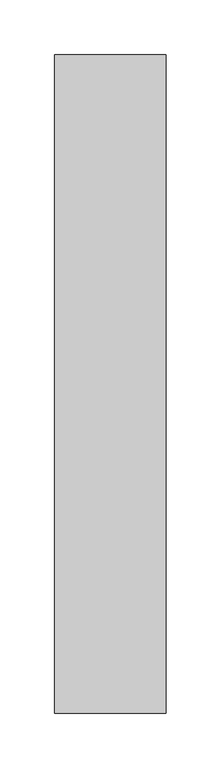
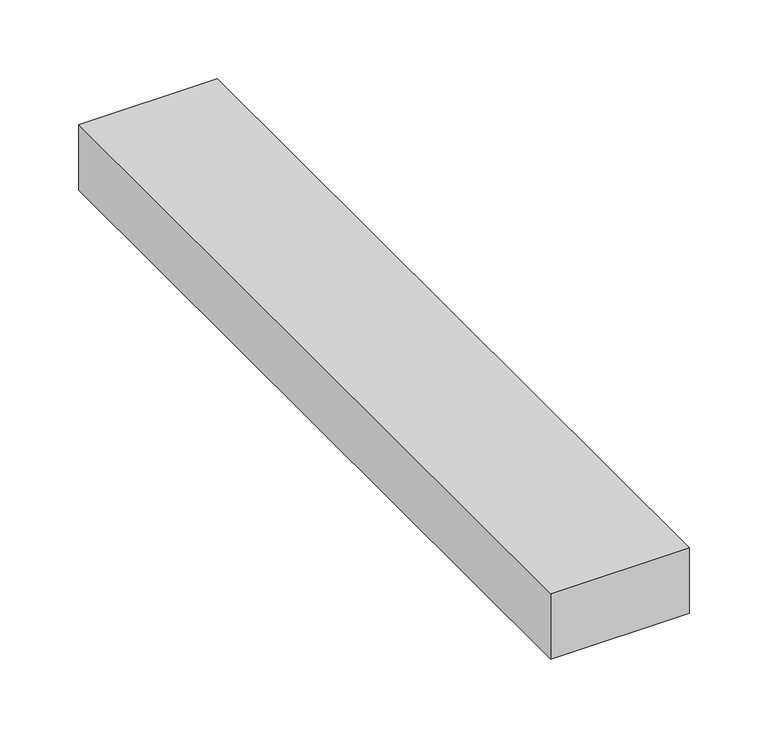
"""IFC4 building model written with IfcOpenShell, lengths in millimetres: proxy geometry."""

from ifc_helpers import new_model, si_unit, origin, origin_with_axes, place, context, project, spatial, polyline, outline, extrude, source, transform, mapped, element, save


def generic_models_307dad6a(model_context):
    return source(origin(), model_context, "Body", "SweptSolid", [
        extrude(outline(polyline([(101.6, 0.0), (0.0, 0.0), (0.0, 600.0), (101.6, 600.0), (101.6, 0.0)])), origin_with_axes(), (0.0, 0.0, 1.0), 50.8),
    ])


if __name__ == "__main__":
    model = new_model("IFC4")
    model_context = context("Model", 3, world=origin())
    ifc_project = project(units=[si_unit("LENGTHUNIT", "METRE", prefix="MILLI")], contexts=[model_context])
    site = spatial("IfcSite", under=ifc_project)
    building = spatial("IfcBuilding", under=site)
    placement = place(None, origin())
    generic_models_shape = generic_models_307dad6a(model_context)
    element("IfcBuildingElementProxy", 1, Name="Generic Models", at=placement, inside=building, context=model_context, shape_type="MappedRepresentation", body=[
        mapped(generic_models_shape, transform((0.0, 0.0, 0.0), x_axis=(1.0, 0.0, 0.0), y_axis=(0.0, 1.0, 0.0), z_axis=(0.0, 0.0, 1.0))),
    ])
    save(model, "model.ifc")
